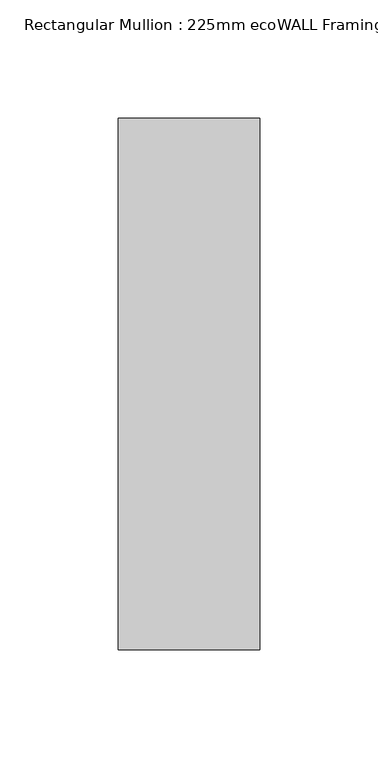
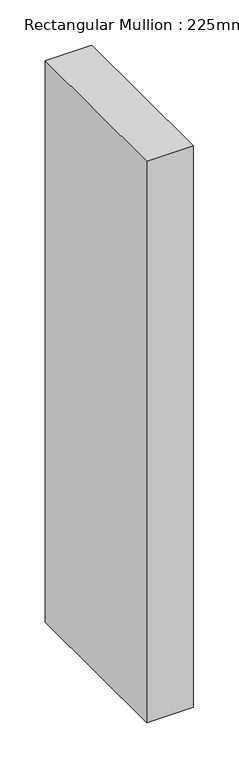
"""IFC4 building model written with IfcOpenShell, lengths in millimetres: member geometry, Rectangular Mullion : 225mm ecoWALL Framing."""

from ifc_helpers import new_model, si_unit, frame, origin, place, context, project, spatial, polyline, outline, extrude, source, transform, mapped, element, save


def rectangular_mullion_225mm_ecowall_framing_0d0ab1f8(model_context):
    return source(origin(), model_context, "Body", "SweptSolid", [
        extrude(outline(polyline([(30.0, 112.5), (30.0, -112.5), (-30.0, -112.5), (-30.0, 112.5), (30.0, 112.5)])), frame((0.0, 0.0, -760.0), z_axis=(0.0, 0.0, 1.0), x_axis=(1.0, 0.0, 0.0)), (0.0, 0.0, 1.0), 760.0),
    ])


if __name__ == "__main__":
    model = new_model("IFC4")
    model_context = context("Model", 3, world=origin())
    ifc_project = project(units=[si_unit("LENGTHUNIT", "METRE", prefix="MILLI")], contexts=[model_context])
    site = spatial("IfcSite", under=ifc_project)
    building = spatial("IfcBuilding", under=site)
    placement = place(None, origin())
    rectangular_mullion_225mm_ecowall_framing_shape = rectangular_mullion_225mm_ecowall_framing_0d0ab1f8(model_context)
    element("IfcMember", 1, ObjectType="Rectangular Mullion : 225mm ecoWALL Framing", at=placement, inside=building, context=model_context, shape_type="MappedRepresentation", body=[
        mapped(rectangular_mullion_225mm_ecowall_framing_shape, transform((0.0, 0.0, 0.0), x_axis=(1.0, 0.0, 0.0), y_axis=(0.0, 1.0, 0.0), z_axis=(0.0, 0.0, 1.0))),
    ])
    save(model, "model.ifc")
